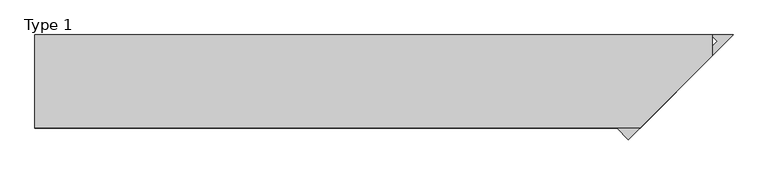
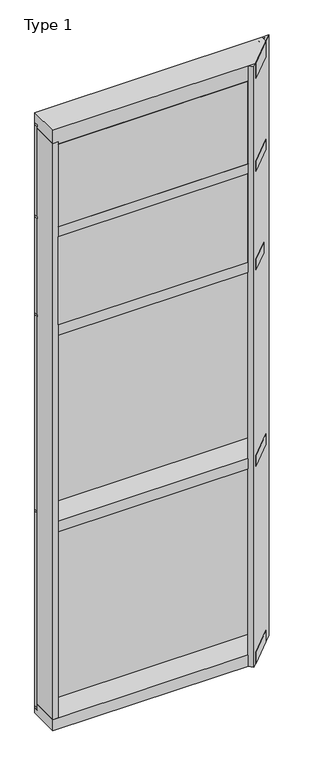
"""IFC4 building model written with IfcOpenShell, lengths in millimetres: plate geometry, Type 1."""

from ifc_helpers import new_model, si_unit, frame, origin, place, context, project, spatial, polyline, outline, extrude, faceted_brep, source, transform, mapped, element, save


def type_1_e7ee3e6d(model_context):
    return source(origin(), model_context, "Body", "SolidModel", [
        extrude(outline(polyline([(-635.545002, -156.32684), (-635.545002, -48.6409999), (586.9040021, -48.6409999), (479.218162, -156.32684), (-635.545002, -156.32684)])), frame((0.0, 0.0, 2470.15), z_axis=(0.0, 0.0, 1.0), x_axis=(1.0, 0.0, 0.0)), (0.0, 0.0, 1.0), 546.1993556),
        extrude(outline(polyline([(667.295002, 27.686), (667.295002, 6.35), (-667.295002, 6.35), (-667.295002, 27.686), (667.295002, 27.686)])), frame((0.0, 0.0, 3041.65), z_axis=(0.0, 0.0, 1.0), x_axis=(1.0, 0.0, 0.0)), (0.0, 0.0, 1.0), 12.7),
        extrude(outline(polyline([(667.295002, 27.6881517), (667.295002, 11.2982336), (654.5960912, 11.2982336), (654.5960912, 27.6881517), (667.295002, 27.6881517)])), frame((0.0, 0.0, 2444.75), z_axis=(0.0, 0.0, 1.0), x_axis=(1.0, 0.0, 0.0)), (0.0, 0.0, 1.0), 596.9),
        extrude(outline(polyline([(-654.5960912, 27.6881517), (-654.5960912, 11.2982336), (-667.295002, 11.2982336), (-667.295002, 27.6881517), (-654.5960912, 27.6881517)])), frame((0.0, 0.0, 2444.75), z_axis=(0.0, 0.0, 1.0), x_axis=(1.0, 0.0, 0.0)), (0.0, 0.0, 1.0), 596.9),
        extrude(outline(polyline([(654.5960912, 27.686), (654.5960912, 2.286), (-654.5960912, 2.286), (-654.5960912, 27.686), (654.5960912, 27.686)])), frame((0.0, 0.0, 2444.75), z_axis=(0.0, 0.0, 1.0), x_axis=(1.0, 0.0, 0.0)), (0.0, 0.0, 1.0), 596.9),
        extrude(outline(polyline([(667.295002, 27.6881517), (667.295002, 11.2982336), (654.5960912, 11.2982336), (654.5960912, 27.6881517), (667.295002, 27.6881517)])), frame((0.0, 0.0, 1225.55), z_axis=(0.0, 0.0, 1.0), x_axis=(1.0, 0.0, 0.0)), (0.0, 0.0, 1.0), 1206.5),
        extrude(outline(polyline([(-654.5960912, 27.6881517), (-654.5960912, 11.2982336), (-667.295002, 11.2982336), (-667.295002, 27.6881517), (-654.5960912, 27.6881517)])), frame((0.0, 0.0, 1225.55), z_axis=(0.0, 0.0, 1.0), x_axis=(1.0, 0.0, 0.0)), (0.0, 0.0, 1.0), 1206.5),
        extrude(outline(polyline([(654.5960912, 27.686), (654.5960912, 2.286), (-654.5960912, 2.286), (-654.5960912, 27.686), (654.5960912, 27.686)])), frame((0.0, 0.0, 1225.55), z_axis=(0.0, 0.0, 1.0), x_axis=(1.0, 0.0, 0.0)), (0.0, 0.0, 1.0), 1206.5),
        extrude(outline(polyline([(667.295002, 27.686), (667.295002, 6.35), (-667.295002, 6.35), (-667.295002, 27.686), (667.295002, 27.686)])), frame((0.0, 0.0, 2432.05), z_axis=(0.0, 0.0, 1.0), x_axis=(1.0, 0.0, 0.0)), (0.0, 0.0, 1.0), 12.7),
        extrude(outline(polyline([(-667.295002, -155.9814), (-667.295002, 2.286), (-635.545002, 2.286), (-635.545002, -155.9814), (-667.295002, -155.9814)])), frame((0.0, 0.0, 31.75), z_axis=(0.0, 0.0, 1.0), x_axis=(1.0, 0.0, 0.0)), (0.0, 0.0, 1.0), 3573.3066454),
        extrude(outline(polyline([(-635.545002, -156.32684), (-635.545002, -48.6409999), (586.9040021, -48.6409999), (479.218162, -156.32684), (-635.545002, -156.32684)])), frame((0.0, 0.0, 3079.75), z_axis=(0.0, 0.0, 1.0), x_axis=(1.0, 0.0, 0.0)), (0.0, 0.0, 1.0), 512.7050826),
        extrude(outline(polyline([(667.295002, 27.686), (667.295002, 6.35), (-667.295002, 6.35), (-667.295002, 27.686), (667.295002, 27.686)])), frame((0.0, 0.0, 3611.4066454), z_axis=(0.0, 0.0, 1.0), x_axis=(1.0, 0.0, 0.0)), (0.0, 0.0, 1.0), 12.7),
        extrude(outline(polyline([(667.295002, 27.6881517), (667.295002, 11.2982336), (654.5960912, 11.2982336), (654.5960912, 27.6881517), (667.295002, 27.6881517)])), frame((0.0, 0.0, 3054.35), z_axis=(0.0, 0.0, 1.0), x_axis=(1.0, 0.0, 0.0)), (0.0, 0.0, 1.0), 557.0566454),
        extrude(outline(polyline([(-654.5960912, 27.6881517), (-654.5960912, 11.2982336), (-667.295002, 11.2982336), (-667.295002, 27.6881517), (-654.5960912, 27.6881517)])), frame((0.0, 0.0, 3054.35), z_axis=(0.0, 0.0, 1.0), x_axis=(1.0, 0.0, 0.0)), (0.0, 0.0, 1.0), 557.0566454),
        extrude(outline(polyline([(654.5960912, 27.686), (654.5960912, 2.286), (-654.5960912, 2.286), (-654.5960912, 27.686), (654.5960912, 27.686)])), frame((0.0, 0.0, 3054.35), z_axis=(0.0, 0.0, 1.0), x_axis=(1.0, 0.0, 0.0)), (0.0, 0.0, 1.0), 557.0566454),
        extrude(outline(polyline([(667.295002, 27.6881517), (667.295002, 11.2982336), (654.5960912, 11.2982336), (654.5960912, 27.6881517), (667.295002, 27.6881517)])), frame((0.0, 0.0, 6.35), z_axis=(0.0, 0.0, 1.0), x_axis=(1.0, 0.0, 0.0)), (0.0, 0.0, 1.0), 1206.5),
        extrude(outline(polyline([(-654.5960912, 27.6881517), (-654.5960912, 11.2982336), (-667.295002, 11.2982336), (-667.295002, 27.6881517), (-654.5960912, 27.6881517)])), frame((0.0, 0.0, 6.35), z_axis=(0.0, 0.0, 1.0), x_axis=(1.0, 0.0, 0.0)), (0.0, 0.0, 1.0), 1206.5),
        extrude(outline(polyline([(654.5960912, 27.686), (654.5960912, 2.286), (-654.5960912, 2.286), (-654.5960912, 27.686), (654.5960912, 27.686)])), frame((0.0, 0.0, 6.35), z_axis=(0.0, 0.0, 1.0), x_axis=(1.0, 0.0, 0.0)), (0.0, 0.0, 1.0), 1206.5),
        extrude(outline(polyline([(667.295002, 27.686), (667.295002, 6.35), (-667.295002, 6.35), (-667.295002, 27.686), (667.295002, 27.686)])), frame((0.0, 0.0, 1212.85), z_axis=(0.0, 0.0, 1.0), x_axis=(1.0, 0.0, 0.0)), (0.0, 0.0, 1.0), 12.7),
        faceted_brep([(-667.295002, 27.686, 3687.6066454), (-667.295002, 27.686, 3624.1067096), (-667.295002, 2.286, 3624.1067096), (-667.295002, 2.286, 3592.3567393), (-667.295002, -155.4734, 3592.3567393), (-667.295002, -155.4734, 3687.6066454), (667.295002, 2.286, 3592.3567393), (667.295002, 2.286, 3624.1067096), (667.295002, 27.686, 3624.1067096), (667.295002, 27.686, 3687.6066454), (667.295002, -13.1523698, 3687.6066454), (667.295002, -13.1523698, 3592.3567393), (524.9739719, -155.4734, 3592.3567393), (524.9739719, -155.4734, 3687.6066454)], [[[0, 1, 2, 3, 4, 5]], [[6, 7, 8, 9, 10, 11]], [[1, 0, 9, 8]], [[2, 1, 8, 7]], [[3, 2, 7, 6]], [[4, 3, 6, 11, 12]], [[5, 4, 12, 13]], [[0, 5, 13, 10, 9]], [[11, 10, 13, 12]]]),
        extrude(outline(polyline([(-635.545002, -155.4734), (-635.545002, 2.2859999), (667.295002, 2.2859999), (667.295002, -13.1523698), (524.9739719, -155.4734), (-635.545002, -155.4734)])), frame((0.0, 0.0, 3016.25), z_axis=(0.0, 0.0, 1.0), x_axis=(1.0, 0.0, 0.0)), (0.0, 0.0, 1.0), 63.5),
        extrude(outline(polyline([(-635.545002, -155.4734), (-635.545002, 2.2859999), (635.545002, 2.2859999), (635.545002, -44.9023698), (524.9739719, -155.4734), (-635.545002, -155.4734)])), frame((0.0, 0.0, 2406.65), z_axis=(0.0, 0.0, 1.0), x_axis=(1.0, 0.0, 0.0)), (0.0, 0.0, 1.0), 63.5),
        extrude(outline(polyline([(-635.545002, -155.4734), (-635.545002, 2.2859999), (667.295002, 2.2859999), (667.295002, -13.1523698), (524.9739719, -155.4734), (-635.545002, -155.4734)])), frame((0.0, 0.0, 1187.45), z_axis=(0.0, 0.0, 1.0), x_axis=(1.0, 0.0, 0.0)), (0.0, 0.0, 1.0), 63.5),
        faceted_brep([(-667.295002, 2.2859999, 31.75), (-667.295002, 2.2859999, -6.2983857), (-667.295002, 27.6858239, -6.2983857), (-667.295002, 27.6858239, -38.1), (-667.295002, -155.6004, -38.1), (-667.295002, -155.6004, 31.75), (667.295002, 27.6858239, -38.1), (667.295002, 27.6858239, -6.2983857), (667.295002, 2.2859999, -6.2983857), (667.295002, 2.2859999, 31.75), (667.295002, -13.1523698, 31.75), (667.295002, -13.1523698, -38.1), (524.8469719, -155.6004, -38.1), (524.8469719, -155.6004, 31.75)], [[[0, 1, 2, 3, 4, 5]], [[6, 7, 8, 9, 10, 11]], [[1, 0, 9, 8]], [[2, 1, 8, 7]], [[3, 2, 7, 6]], [[4, 3, 6, 11, 12]], [[5, 4, 12, 13]], [[0, 5, 13, 10, 9]], [[11, 10, 13, 12]]]),
        extrude(outline(polyline([(-667.295002, 5.0946564), (-667.295002, 27.6881517), (667.295002, 27.6881517), (667.295002, 5.0946564), (-667.295002, 5.0946564)])), frame((0.0, 0.0, -6.2984797), z_axis=(0.0, 0.0, 1.0), x_axis=(1.0, 0.0, 0.0)), (0.0, 0.0, 1.0), 12.6484797),
        extrude(outline(polyline([(479.5649348, -155.9811564), (635.5460912, 0.0), (635.5460912, 2.286), (664.031151, 2.286), (676.8345154, 15.0893645), (667.295002, 24.6288779), (667.295002, 27.6881517), (708.1355236, 27.6881517), (502.0155751, -178.4317967), (479.5649348, -155.9811564)])), frame((0.0, 0.0, -38.1), z_axis=(0.0, 0.0, 1.0), x_axis=(1.0, 0.0, 0.0)), (0.0, 0.0, 1.0), 3725.7066454),
    ])


if __name__ == "__main__":
    model = new_model("IFC4")
    model_context = context("Model", 3, world=origin())
    ifc_project = project(units=[si_unit("LENGTHUNIT", "METRE", prefix="MILLI")], contexts=[model_context])
    site = spatial("IfcSite", under=ifc_project)
    building = spatial("IfcBuilding", under=site)
    placement = place(None, origin())
    type_1_shape = type_1_e7ee3e6d(model_context)
    element("IfcPlate", 1, ObjectType="Type 1", at=placement, inside=building, context=model_context, shape_type="MappedRepresentation", body=[
        mapped(type_1_shape, transform((0.0, 0.0, 0.0), x_axis=(1.0, 0.0, 0.0), y_axis=(0.0, 1.0, 0.0), z_axis=(0.0, 0.0, 1.0))),
    ])
    save(model, "model.ifc")
